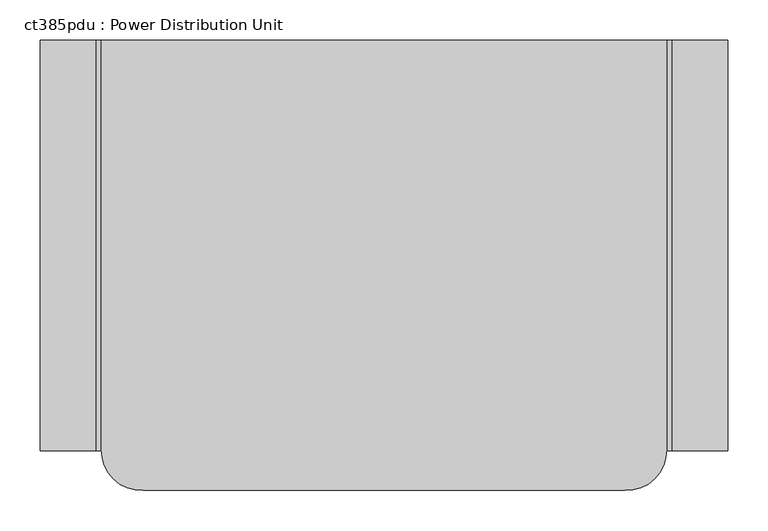
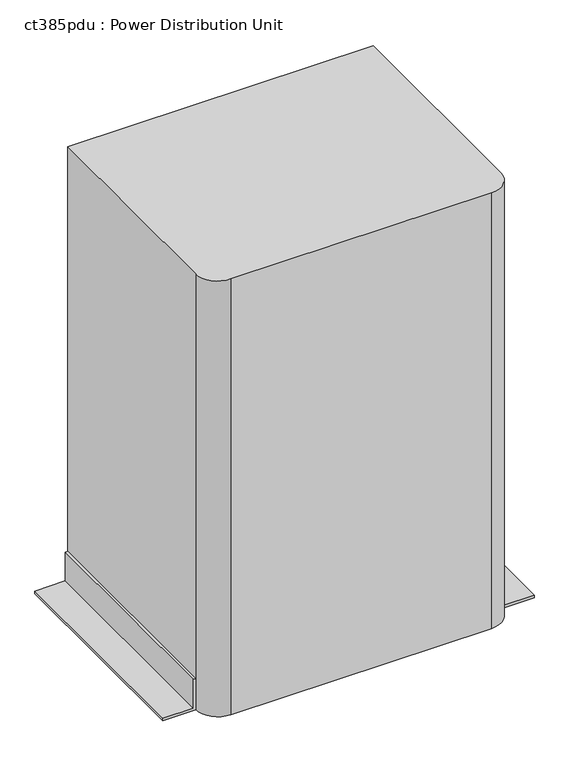
"""IFC4 building model written with IfcOpenShell, lengths in millimetres: proxy geometry, ct385pdu : Power Distribution Unit."""

from ifc_helpers import new_model, si_unit, point, frame, frame_2d, origin, origin_with_axes, place, context, project, spatial, polyline, circle_curve, trimmed, segment, composite_curve, outline, extrude, source, transform, mapped, element, save


def ct385pdu_power_distribution_unit_3a3cbb2b(model_context):
    return source(origin(), model_context, "Body", "SweptSolid", [
        extrude(outline(polyline([(76.2, 0.0), (76.2, -6.35), (6.35, -6.35), (6.35, -76.2), (0.0, -76.2), (0.0, 0.0), (76.2, 0.0)])), frame((0.0, -663.4300654, 0.0), z_axis=(0.0, 1.0, 0.0), x_axis=(0.0, 0.0, 1.0)), (0.0, 0.0, 1.0), 511.0300654),
        extrude(outline(polyline([(76.2, 703.4161363), (0.0, 703.4161363), (0.0, 779.6161363), (6.35, 779.6161363), (6.35, 709.7661363), (76.2, 709.7661363), (76.2, 703.4161363)])), frame((0.0, -663.4300654, 0.0), z_axis=(0.0, 1.0, 0.0), x_axis=(0.0, 0.0, 1.0)), (0.0, 0.0, 1.0), 511.0300654),
        extrude(outline(composite_curve([segment(polyline([(703.4161363, -152.4), (703.4161363, -661.8046404)]), True, "CONTINUOUS"), segment(trimmed(circle_curve(frame_2d((653.1955201, -662.6173529)), 50.2271917), [point((703.4161363, -661.8046404))], [point((651.4020536, -712.8125147))], False, "CARTESIAN"), True, "CONTINUOUS"), segment(polyline([(651.4020536, -712.8125147), (52.0140827, -712.8125147)]), True, "CONTINUOUS"), segment(trimmed(circle_curve(frame_2d((50.2206161, -662.6173529)), 50.2271917), [point((52.0140827, -712.8125147))], [point((0.0, -661.8046404))], False, "CARTESIAN"), True, "CONTINUOUS"), segment(polyline([(0.0, -661.8046404), (0.0, -152.4), (703.4161363, -152.4)]), True, "CONTINUOUS")], self_intersect=False)), origin_with_axes(), (0.0, 0.0, 1.0), 1061.72),
    ])


if __name__ == "__main__":
    model = new_model("IFC4")
    model_context = context("Model", 3, world=origin())
    ifc_project = project(units=[si_unit("LENGTHUNIT", "METRE", prefix="MILLI")], contexts=[model_context])
    site = spatial("IfcSite", under=ifc_project)
    building = spatial("IfcBuilding", under=site)
    placement = place(None, origin())
    ct385pdu_power_distribution_unit_shape = ct385pdu_power_distribution_unit_3a3cbb2b(model_context)
    element("IfcBuildingElementProxy", 1, Name="ct385pdu : Power Distribution Unit", ObjectType="ct385pdu : Power Distribution Unit", at=placement, inside=building, context=model_context, shape_type="MappedRepresentation", body=[
        mapped(ct385pdu_power_distribution_unit_shape, transform((0.0, 0.0, 0.0), x_axis=(1.0, 0.0, 0.0), y_axis=(0.0, 1.0, 0.0), z_axis=(0.0, 0.0, 1.0))),
    ])
    save(model, "model.ifc")
